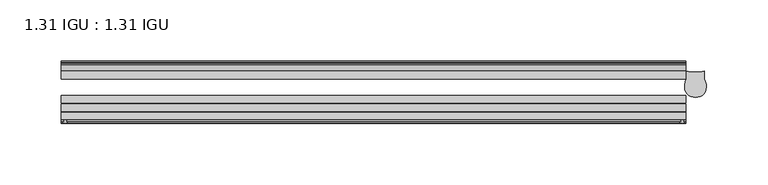
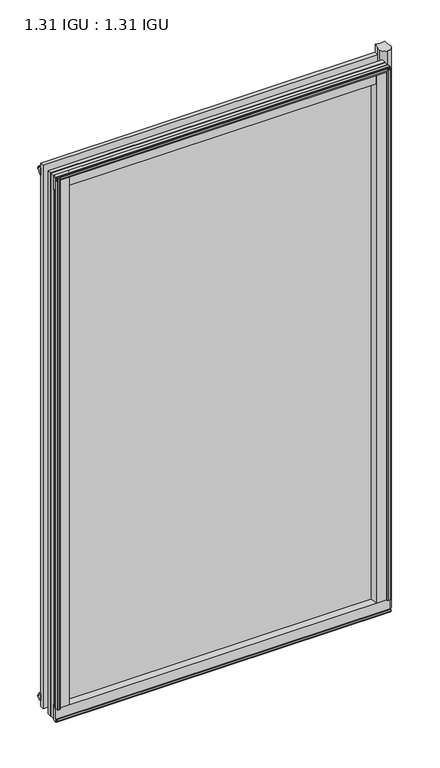
"""IFC4 building model written with IfcOpenShell, lengths in millimetres: plate geometry, 1.31 IGU : 1.31 IGU."""

from ifc_helpers import new_model, si_unit, point, frame, frame_2d, origin, origin_with_axes, place, context, project, spatial, polyline, circle_curve, ellipse_curve, trimmed, segment, composite_curve, outline, extrude, source, transform, mapped, element, save
from ifc_brep_helpers import plane_surface, cylinder_surface, revolved_surface, extruded_surface, advanced_brep


def plate_1_31_igu_1_31_igu_f19f6fea(model_context):
    return source(origin(), model_context, "Body", "SolidModel", [
        advanced_brep(
        [(210.0958847, -39.3432088, 869.9372998), (218.9178075, -31.0522938, 869.9372998), (217.458925, -24.3085938, 869.9372998), (217.458925, -17.9585938, 869.9372998), (210.0958847, -18.9109532, 869.9372998), (202.7328445, -17.9585938, 869.9372998), (202.7328445, -24.3085938, 869.9372998), (201.273962, -31.0522938, 869.9372998), (210.0958847, -39.3432088, -31.7372998), (201.273962, -31.0522938, -31.7372998), (202.7328445, -24.3085938, -31.7372998), (202.7328445, -17.9585938, -31.7372998), (210.0958847, -18.9109532, -31.7372998), (217.458925, -17.9585938, -31.7372998), (217.458925, -24.3085938, -31.7372998), (218.9178075, -31.0522938, -31.7372998)],
        [
            (0, 1, ellipse_curve(frame((210.825326, -31.0522938, 869.9372998), z_axis=(0.0, 0.0, 1.0), x_axis=(0.0, 1.0, 0.0)), 8.3248031, 8.0924815)),
            (1, 2, circle_curve(frame((202.6019537, -31.0522938, 869.9372998), z_axis=(0.0, 0.0, 1.0), x_axis=(0.0, 1.0, 0.0)), 16.3158538)),
            (2, 3),
            (3, 4, circle_curve(frame((210.0958847, 10.0284087, 869.9372998), z_axis=(0.0, 0.0, -1.0), x_axis=(0.0, 1.0, 0.0)), 28.9393619)),
            (4, 5, circle_curve(frame((210.0958847, 10.0284087, 869.9372998), z_axis=(0.0, 0.0, -1.0), x_axis=(0.0, 1.0, 0.0)), 28.9393619)),
            (5, 6),
            (6, 7, circle_curve(frame((217.5898158, -31.0522938, 869.9372998), z_axis=(0.0, 0.0, 1.0), x_axis=(0.0, 1.0, 0.0)), 16.3158538)),
            (7, 0, ellipse_curve(frame((209.3664435, -31.0522938, 869.9372998), z_axis=(0.0, 0.0, 1.0), x_axis=(0.0, 1.0, 0.0)), 8.3248031, 8.0924815)),
            (8, 9, ellipse_curve(frame((209.3664435, -31.0522938, -31.7372998), z_axis=(0.0, 0.0, -1.0), x_axis=(0.0, 1.0, 0.0)), 8.3248031, 8.0924815)),
            (9, 10, circle_curve(frame((217.5898158, -31.0522938, -31.7372998), z_axis=(0.0, 0.0, -1.0), x_axis=(0.0, 1.0, 0.0)), 16.3158538)),
            (10, 11),
            (11, 12, circle_curve(frame((210.0958847, 10.0284087, -31.7372998), z_axis=(0.0, 0.0, 1.0), x_axis=(0.0, 1.0, 0.0)), 28.9393619)),
            (12, 13, circle_curve(frame((210.0958847, 10.0284087, -31.7372998), z_axis=(0.0, 0.0, 1.0), x_axis=(0.0, 1.0, 0.0)), 28.9393619)),
            (13, 14),
            (14, 15, circle_curve(frame((202.6019537, -31.0522938, -31.7372998), z_axis=(0.0, 0.0, -1.0), x_axis=(0.0, 1.0, 0.0)), 16.3158538)),
            (15, 8, ellipse_curve(frame((210.825326, -31.0522938, -31.7372998), z_axis=(0.0, 0.0, -1.0), x_axis=(0.0, 1.0, 0.0)), 8.3248031, 8.0924815)),
            (0, 8),
            (15, 1),
            (14, 2),
            (13, 3),
            (12, 4),
            (11, 5),
            (10, 6),
            (9, 7),
        ],
        [
            plane_surface(frame((288.909125, -11.6085938, 869.9372998), z_axis=(0.0, 0.0, 1.0), x_axis=(0.0, 1.0, 0.0))),
            plane_surface(frame((288.909125, -11.6085938, -31.7372998), z_axis=(0.0, 0.0, -1.0), x_axis=(0.0, 1.0, 0.0))),
            extruded_surface(trimmed(ellipse_curve(frame((210.825326, -31.0522938, -31.7372998), z_axis=(0.0, 0.0, 1.0), x_axis=(0.0, 1.0, 0.0)), 8.3248031, 8.0924815), [point((210.0958847, -39.3432088, -31.7372998))], [point((218.9178075, -31.0522938, -31.7372998))], True, "CARTESIAN"), (0.0, 0.0, 901.6745996), 901.6745996),
            cylinder_surface(frame((202.6019537, -31.0522938, 869.9372998), z_axis=(0.0, 0.0, 1.0), x_axis=(0.0, 1.0, 0.0)), 16.3158538),
            plane_surface(frame((217.458925, -24.3085938, 869.9372998), z_axis=(1.0, 0.0, 0.0), x_axis=(0.0, 0.0, -1.0))),
            revolved_surface(polyline([(210.0958847, 38.9677706, -31.73729979999996), (210.0958847, 38.9677706, 869.9372998)]), (210.0958847, 10.0284087, 869.9372998), (0.0, 0.0, -1.0)),
            plane_surface(frame((202.7328445, -17.9585938, 869.9372998), z_axis=(-1.0, 0.0, 0.0), x_axis=(0.0, 0.0, -1.0))),
            cylinder_surface(frame((217.5898158, -31.0522938, 869.9372998), z_axis=(0.0, 0.0, 1.0), x_axis=(0.0, 1.0, 0.0)), 16.3158538),
            extruded_surface(trimmed(ellipse_curve(frame((209.3664435, -31.0522938, -31.7372998), z_axis=(0.0, 0.0, 1.0), x_axis=(0.0, 1.0, 0.0)), 8.3248031, 8.0924815), [point((201.273962, -31.0522938, -31.7372998))], [point((210.0958847, -39.3432088, -31.7372998))], True, "CARTESIAN"), (0.0, 0.0, 901.6745996), 901.6745996),
        ],
        [
            (0, [[1, 2, 3, 4, 5, 6, 7, 8]]),
            (1, [[9, 10, 11, 12, 13, 14, 15, 16]]),
            (2, [[-1, 17, -16, 18]]),
            (3, [[-2, -18, -15, 19]]),
            (4, [[-3, -19, -14, 20]]),
            (5, [[-4, -20, -13, 21]]),
            (5, [[-5, -21, -12, 22]]),
            (6, [[-6, -22, -11, 23]]),
            (7, [[-7, -23, -10, 24]]),
            (8, [[-8, -24, -9, -17]]),
        ],
    ),
        extrude(outline(composite_curve([segment(polyline([(197.9376219, -57.6333938), (181.752875, -57.6333938)]), True, "CONTINUOUS"), segment(trimmed(circle_curve(frame_2d((174.4581458, -57.6547678)), 7.2947605), [point((181.752875, -57.6333938))], [point((178.0104864, -51.2833938))], True, "CARTESIAN"), True, "CONTINUOUS"), segment(polyline([(178.0104864, -51.2833938), (200.8809073, -51.2833938)]), True, "CONTINUOUS"), segment(trimmed(circle_curve(frame_2d((200.8809073, -52.0707938)), 0.7874), [point((200.8809073, -51.2833938))], [point((201.6624381, -51.9748338))], False, "CARTESIAN"), True, "CONTINUOUS"), segment(polyline([(201.6624381, -51.9748338), (202.3572219, -57.6333938), (200.4268219, -57.6333938), (199.9696219, -59.624458), (200.9709838, -59.3561439), (201.2142219, -60.263921), (199.1822219, -60.8083938), (197.1502219, -60.263921), (197.39346, -59.3561439), (198.3948219, -59.624458), (197.9376219, -57.6333938)]), True, "CONTINUOUS")], self_intersect=False)), origin_with_axes(), (0.0, 0.0, 1.0), 857.25),
        extrude(outline(composite_curve([segment(polyline([(-287.321625, -57.6333937), (-303.5063719, -57.6333937), (-303.9635719, -59.624458), (-302.96221, -59.3561439), (-302.7189719, -60.263921), (-304.7509719, -60.8083937), (-306.7829719, -60.263921), (-306.5397338, -59.3561439), (-305.5383719, -59.624458), (-305.9955719, -57.6333937), (-307.9259719, -57.6333937), (-307.2311881, -51.9748338)]), True, "CONTINUOUS"), segment(trimmed(circle_curve(frame_2d((-306.4496573, -52.0707937)), 0.7874), [point((-307.2311881, -51.9748338))], [point((-306.4496573, -51.2833937))], False, "CARTESIAN"), True, "CONTINUOUS"), segment(polyline([(-306.4496573, -51.2833937), (-283.5792364, -51.2833937)]), True, "CONTINUOUS"), segment(trimmed(circle_curve(frame_2d((-280.0268958, -57.6547678)), 7.2947605), [point((-283.5792364, -51.2833937))], [point((-287.321625, -57.6333937))], True, "CARTESIAN"), True, "CONTINUOUS")], self_intersect=False)), origin_with_axes(), (0.0, 0.0, 1.0), 857.25),
        extrude(outline(polyline([(-9.7543937, -6.8579998), (-10.4009552, -9.2709998), (-11.2596632, -9.0409097), (-10.8839895, -7.6388763), (-13.1833937, -8.3819998), (-13.1833937, -11.7850089), (-17.9585937, -10.1533914), (-17.9585937, 0.6595133), (-13.1833937, -0.5079998), (-13.1833937, -5.4609998), (-10.8839895, -6.0771233), (-11.2596632, -4.6750899), (-10.4009552, -4.4449998), (-9.7543937, -6.8579998)])), frame((-307.959125, 0.0, 0.0), z_axis=(1.0, 0.0, 0.0), x_axis=(0.0, 1.0, 0.0)), (0.0, 0.0, 1.0), 510.3495),
        extrude(outline(composite_curve([segment(polyline([(-51.9748338, -19.930016), (-57.6333937, -20.6247998), (-57.6333937, -18.6943998), (-59.624458, -18.2371998), (-59.3561439, -19.2385617), (-60.263921, -19.4817998), (-60.8083937, -17.4497998), (-60.263921, -15.4177998), (-59.3561439, -15.6610379), (-59.624458, -16.6623998), (-57.6333937, -16.2051998), (-57.6333937, 0.0127002)]), True, "CONTINUOUS"), segment(trimmed(circle_curve(frame_2d((-58.1588233, 7.9620141)), 7.9666598), [point((-57.6333937, 0.0127002))], [point((-51.2833937, 3.9375717))], True, "CARTESIAN"), True, "CONTINUOUS"), segment(polyline([(-51.2833937, 3.9375717), (-51.2833937, -19.1484852)]), True, "CONTINUOUS"), segment(trimmed(circle_curve(frame_2d((-52.0707937, -19.1484852)), 0.7874), [point((-51.2833937, -19.1484852))], [point((-51.9748338, -19.930016))], False, "CARTESIAN"), True, "CONTINUOUS")], self_intersect=False)), frame((-307.959125, 0.0, 0.0), z_axis=(1.0, 0.0, 0.0), x_axis=(0.0, 1.0, 0.0)), (0.0, 0.0, 1.0), 510.3495),
        extrude(outline(polyline([(-17.9585937, 848.3533914), (-13.1833937, 849.9850089), (-13.1833937, 846.5819998), (-10.8839895, 845.8388763), (-11.2596632, 847.2409097), (-10.4009552, 847.4709998), (-9.7543937, 845.0579998), (-10.4009552, 842.6449998), (-11.2596632, 842.8750899), (-10.8839895, 844.2771233), (-13.1833937, 843.6609998), (-13.1833937, 838.7079998), (-17.9585937, 837.5404867), (-17.9585937, 848.3533914)])), frame((-307.959125, 0.0, 0.0), z_axis=(1.0, 0.0, 0.0), x_axis=(0.0, 1.0, 0.0)), (0.0, 0.0, 1.0), 510.3495),
        extrude(outline(composite_curve([segment(trimmed(circle_curve(frame_2d((-52.0707937, 857.3484852)), 0.7874), [point((-51.9748338, 858.130016))], [point((-51.2833937, 857.3484852))], False, "CARTESIAN"), True, "CONTINUOUS"), segment(polyline([(-51.2833937, 857.3484852), (-51.2833937, 834.2624283)]), True, "CONTINUOUS"), segment(trimmed(circle_curve(frame_2d((-58.1588233, 830.2379859)), 7.9666598), [point((-51.2833937, 834.2624283))], [point((-57.6333937, 838.1872998))], True, "CARTESIAN"), True, "CONTINUOUS"), segment(polyline([(-57.6333937, 838.1872998), (-57.6333937, 854.4051998), (-59.624458, 854.8623998), (-59.3561439, 853.8610379), (-60.263921, 853.6177998), (-60.8083937, 855.6497998), (-60.263921, 857.6817998), (-59.3561439, 857.4385617), (-59.624458, 856.4371998), (-57.6333937, 856.8943998), (-57.6333937, 858.8247998), (-51.9748338, 858.130016)]), True, "CONTINUOUS")], self_intersect=False)), frame((-307.959125, 0.0, 0.0), z_axis=(1.0, 0.0, 0.0), x_axis=(0.0, 1.0, 0.0)), (0.0, 0.0, 1.0), 510.3495),
        extrude(outline(polyline([(-296.5480013, -10.8839895), (-297.9500347, -11.2596632), (-298.1801248, -10.4009552), (-295.7671248, -9.7543937), (-293.3541248, -10.4009552), (-293.5842149, -11.2596632), (-294.9862483, -10.8839895), (-294.3701248, -13.1833937), (-289.4171248, -13.1833937), (-288.2496117, -17.9585937), (-299.0625164, -17.9585937), (-300.6941339, -13.1833937), (-297.2911248, -13.1833937), (-296.5480013, -10.8839895)])), origin_with_axes(), (0.0, 0.0, 1.0), 838.2),
        extrude(outline(polyline([(202.390375, -17.9585937), (202.390375, -24.3085937), (-307.959125, -24.3085937), (-307.959125, -17.9585937), (202.390375, -17.9585937)])), frame((0.0, 0.0, -19.0372998), z_axis=(0.0, 0.0, 1.0), x_axis=(1.0, 0.0, 0.0)), (0.0, 0.0, 1.0), 876.2872998),
        extrude(outline(polyline([(-307.959125, -44.1459937), (-307.959125, -37.7959937), (202.390375, -37.7959937), (202.390375, -44.1459937), (-307.959125, -44.1459937)])), frame((0.0, 0.0, -19.0372998), z_axis=(0.0, 0.0, 1.0), x_axis=(1.0, 0.0, 0.0)), (0.0, 0.0, 1.0), 876.2872998),
        extrude(outline(polyline([(-307.959125, -51.2833937), (-307.959125, -44.9333937), (202.390375, -44.9333937), (202.390375, -51.2833937), (-307.959125, -51.2833937)])), frame((0.0, 0.0, -19.0372998), z_axis=(0.0, 0.0, 1.0), x_axis=(1.0, 0.0, 0.0)), (0.0, 0.0, 1.0), 876.2872998),
    ])


if __name__ == "__main__":
    model = new_model("IFC4")
    model_context = context("Model", 3, world=origin())
    ifc_project = project(units=[si_unit("LENGTHUNIT", "METRE", prefix="MILLI")], contexts=[model_context])
    site = spatial("IfcSite", under=ifc_project)
    building = spatial("IfcBuilding", under=site)
    placement = place(None, origin())
    plate_1_31_igu_1_31_igu_shape = plate_1_31_igu_1_31_igu_f19f6fea(model_context)
    element("IfcPlate", 1, ObjectType="1.31 IGU : 1.31 IGU", at=placement, inside=building, context=model_context, shape_type="MappedRepresentation", body=[
        mapped(plate_1_31_igu_1_31_igu_shape, transform((0.0, 0.0, 0.0), x_axis=(1.0, 0.0, 0.0), y_axis=(0.0, 1.0, 0.0), z_axis=(0.0, 0.0, 1.0))),
    ])
    save(model, "model.ifc")
